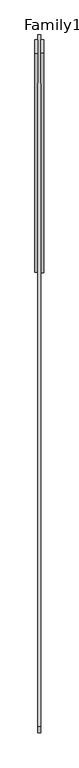
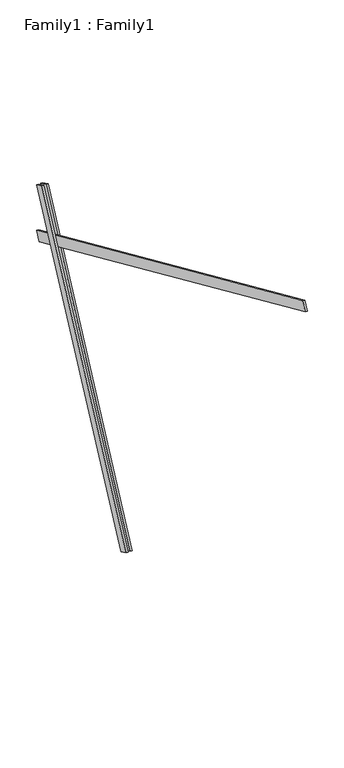
"""IFC4 building model written with IfcOpenShell, lengths in millimetres: proxy geometry, Family1 : Family1."""

from ifc_helpers import new_model, si_unit, frame, origin, place, context, project, spatial, polyline, outline, extrude, source, transform, mapped, element, save


def family1_family1_97db5d0b(model_context):
    return source(origin(), model_context, "Body", "SweptSolid", [
        extrude(outline(polyline([(0.0, 0.0), (0.0, -20.0), (-100.0000001, -20.0), (-100.0000001, 0.0), (0.0, 0.0)])), frame((-30.0, 46.3241747, -22.5938096), z_axis=(0.0, 0.4383711467890692, 0.8987940462991711), x_axis=(0.0, 0.8987940462991711, -0.4383711467890692)), (0.0, 0.0, 1.0), 3300.0),
        extrude(outline(polyline([(0.0, 0.0), (0.0, -20.0), (-99.9999999, -20.0), (-99.9999999, 0.0), (0.0, 0.0)])), frame((10.0, 45.270232, -22.0797674), z_axis=(0.0, 0.4383711467890692, 0.8987940462991711), x_axis=(0.0, 0.8987940462991711, -0.4383711467890692)), (0.0, 0.0, 1.0), 3300.0),
        extrude(outline(polyline([(0.0, -20.0), (0.0, 0.0), (5000.0, 0.0), (5000.0, -20.0), (0.0, -20.0)])), frame((-10.0, -3084.9739451, 4381.9015557), z_axis=(0.0, 0.4067366430758026, 0.9135454576426), x_axis=(0.0, 0.9135454576426, -0.4067366430758026)), (0.0, 0.0, 1.0), 100.0),
    ])


if __name__ == "__main__":
    model = new_model("IFC4")
    model_context = context("Model", 3, world=origin())
    ifc_project = project(units=[si_unit("LENGTHUNIT", "METRE", prefix="MILLI")], contexts=[model_context])
    site = spatial("IfcSite", under=ifc_project)
    building = spatial("IfcBuilding", under=site)
    placement = place(None, origin())
    family1_family1_shape = family1_family1_97db5d0b(model_context)
    element("IfcBuildingElementProxy", 1, Name="Family1 : Family1", ObjectType="Family1 : Family1", at=placement, inside=building, context=model_context, shape_type="MappedRepresentation", body=[
        mapped(family1_family1_shape, transform((0.0, 0.0, 0.0), x_axis=(1.0, 0.0, 0.0), y_axis=(0.0, 1.0, 0.0), z_axis=(0.0, 0.0, 1.0))),
    ])
    save(model, "model.ifc")
